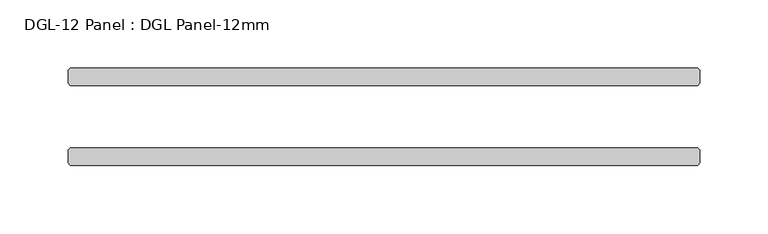
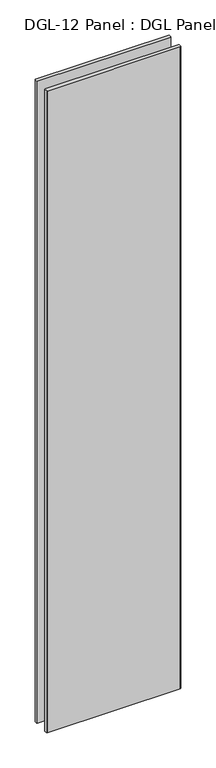
"""IFC4 building model written with IfcOpenShell, lengths in millimetres: plate geometry, DGL-12 Panel : DGL Panel-12mm."""

from ifc_helpers import new_model, si_unit, origin, origin_with_axes, place, context, project, spatial, polyline, outline, extrude, source, transform, mapped, element, save


def dgl_12_panel_dgl_panel_12mm_5a329652(model_context):
    return source(origin(), model_context, "Body", "SweptSolid", [
        extrude(outline(polyline([(229.4898098, -22.9195313), (231.0773098, -24.5070313), (231.0773098, -34.0320313), (229.4898098, -35.6195313), (-229.4898098, -35.6195313), (-231.0773098, -34.0320313), (-231.0773098, -24.5070313), (-229.4898098, -22.9195313), (229.4898098, -22.9195313)])), origin_with_axes(), (0.0, 0.0, 1.0), 2339.4622278),
        extrude(outline(polyline([(229.4898098, 35.6195312), (231.0773098, 34.0320312), (231.0773098, 24.5070312), (229.4898098, 22.9195312), (-229.4898098, 22.9195312), (-231.0773098, 24.5070312), (-231.0773098, 34.0320312), (-229.4898098, 35.6195312), (229.4898098, 35.6195312)])), origin_with_axes(), (0.0, 0.0, 1.0), 2339.4622278),
    ])


if __name__ == "__main__":
    model = new_model("IFC4")
    model_context = context("Model", 3, world=origin())
    ifc_project = project(units=[si_unit("LENGTHUNIT", "METRE", prefix="MILLI")], contexts=[model_context])
    site = spatial("IfcSite", under=ifc_project)
    building = spatial("IfcBuilding", under=site)
    placement = place(None, origin())
    dgl_12_panel_dgl_panel_12mm_shape = dgl_12_panel_dgl_panel_12mm_5a329652(model_context)
    element("IfcPlate", 1, ObjectType="DGL-12 Panel : DGL Panel-12mm", at=placement, inside=building, context=model_context, shape_type="MappedRepresentation", body=[
        mapped(dgl_12_panel_dgl_panel_12mm_shape, transform((0.0, 0.0, 0.0), x_axis=(1.0, 0.0, 0.0), y_axis=(0.0, 1.0, 0.0), z_axis=(0.0, 0.0, 1.0))),
    ])
    save(model, "model.ifc")
